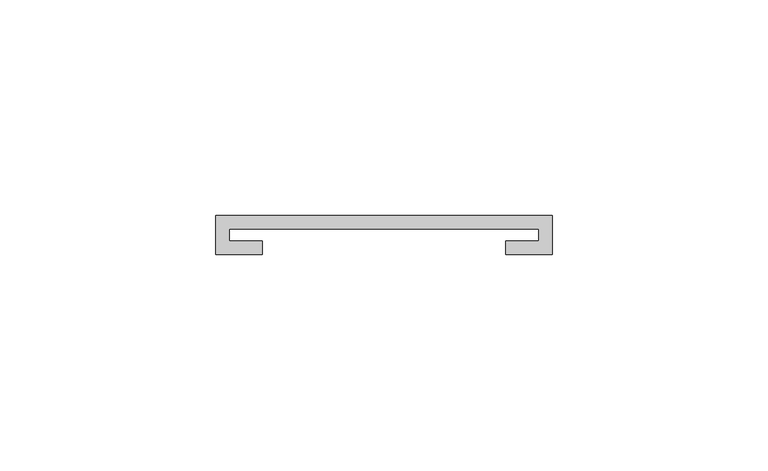
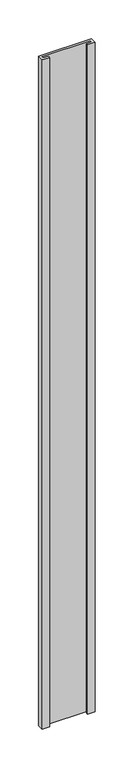
"""IFC4 building model written with IfcOpenShell, lengths in millimetres: furniture geometry."""

from ifc_helpers import new_model, si_unit, frame, origin, place, context, project, spatial, polyline, outline, extrude, source, transform, mapped, element, save


def furniture_1b3babe9(model_context):
    return source(origin(), model_context, "Body", "SweptSolid", [
        extrude(outline(polyline([(-39.0921875, 29.9735875), (-39.0921875, 39.0921875), (39.0921875, 39.0921875), (39.0921875, 29.9735875), (28.2971875, 29.9735875), (28.2971875, 33.1485875), (35.9171875, 33.1485875), (35.9171875, 35.9171875), (-35.9171875, 35.9171875), (-35.9171875, 33.1485875), (-28.2971875, 33.1485875), (-28.2971875, 29.9735875), (-39.0921875, 29.9735875)])), frame((0.0, 0.0, 1244.6), z_axis=(0.0, 0.0, 1.0), x_axis=(1.0, 0.0, 0.0)), (0.0, 0.0, 1.0), 1048.7421875),
    ])


if __name__ == "__main__":
    model = new_model("IFC4")
    model_context = context("Model", 3, world=origin())
    ifc_project = project(units=[si_unit("LENGTHUNIT", "METRE", prefix="MILLI")], contexts=[model_context])
    site = spatial("IfcSite", under=ifc_project)
    building = spatial("IfcBuilding", under=site)
    placement = place(None, origin())
    furniture_shape = furniture_1b3babe9(model_context)
    element("IfcFurniture", 1, at=placement, inside=building, context=model_context, shape_type="MappedRepresentation", body=[
        mapped(furniture_shape, transform((0.0, 0.0, 0.0), x_axis=(1.0, 0.0, 0.0), y_axis=(0.0, 1.0, 0.0), z_axis=(0.0, 0.0, 1.0))),
    ])
    save(model, "model.ifc")
